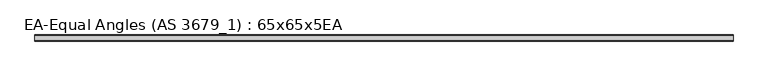
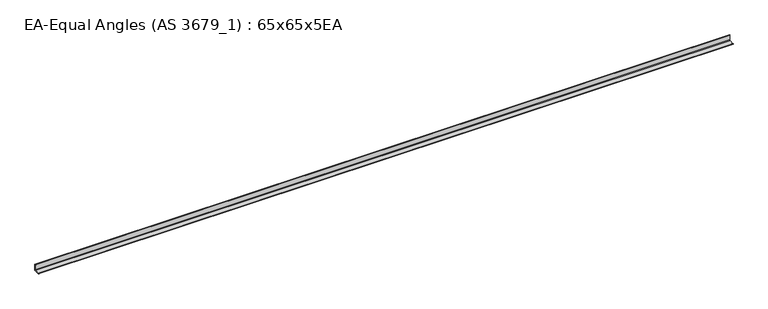
"""IFC4 building model written with IfcOpenShell, lengths in millimetres: beam geometry, EA-Equal Angles (AS 3679_1) : 65x65x5EA."""

from ifc_helpers import new_model, si_unit, point, frame, frame_2d, origin, place, context, project, spatial, polyline, circle_curve, trimmed, segment, composite_curve, outline, extrude, source, transform, mapped, element, save


def ea_equal_angles_as_3679_1_65x65x5ea_4ee25130(model_context):
    return source(origin(), model_context, "Body", "SweptSolid", [
        extrude(outline(composite_curve([segment(polyline([(17.7, -17.7), (-47.3, -17.7), (-47.3, -15.7)]), True, "CONTINUOUS"), segment(trimmed(circle_curve(frame_2d((-44.3, -15.7)), 3.0), [point((-47.3, -15.7))], [point((-44.3, -12.7))], False, "CARTESIAN"), True, "CONTINUOUS"), segment(polyline([(-44.3, -12.7), (6.7, -12.7)]), True, "CONTINUOUS"), segment(trimmed(circle_curve(frame_2d((6.7, -6.7)), 6.0), [point((6.7, -12.7))], [point((12.7, -6.7))], True, "CARTESIAN"), True, "CONTINUOUS"), segment(polyline([(12.7, -6.7), (12.7, 44.3)]), True, "CONTINUOUS"), segment(trimmed(circle_curve(frame_2d((15.7, 44.3)), 3.0), [point((12.7, 44.3))], [point((15.7, 47.3))], False, "CARTESIAN"), True, "CONTINUOUS"), segment(polyline([(15.7, 47.3), (17.7, 47.3), (17.7, -17.7)]), True, "CONTINUOUS")], self_intersect=False)), frame((-3702.75, 0.0, 0.0), z_axis=(1.0, 0.0, 0.0), x_axis=(0.0, 1.0, 0.0)), (0.0, 0.0, 1.0), 7382.2),
    ])


if __name__ == "__main__":
    model = new_model("IFC4")
    model_context = context("Model", 3, world=origin())
    ifc_project = project(units=[si_unit("LENGTHUNIT", "METRE", prefix="MILLI")], contexts=[model_context])
    site = spatial("IfcSite", under=ifc_project)
    building = spatial("IfcBuilding", under=site)
    placement = place(None, origin())
    ea_equal_angles_as_3679_1_65x65x5ea_shape = ea_equal_angles_as_3679_1_65x65x5ea_4ee25130(model_context)
    element("IfcBeam", 1, ObjectType="EA-Equal Angles (AS 3679_1) : 65x65x5EA", at=placement, inside=building, context=model_context, shape_type="MappedRepresentation", body=[
        mapped(ea_equal_angles_as_3679_1_65x65x5ea_shape, transform((0.0, 0.0, 0.0), x_axis=(1.0, 0.0, 0.0), y_axis=(0.0, 1.0, 0.0), z_axis=(0.0, 0.0, 1.0))),
    ])
    save(model, "model.ifc")
